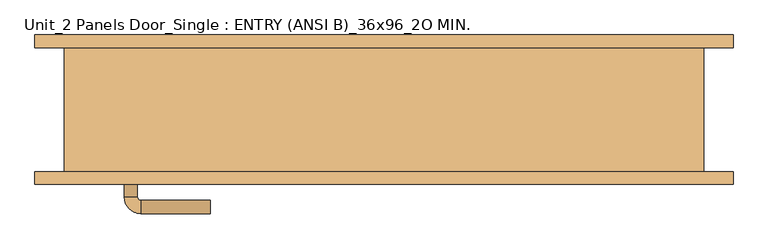
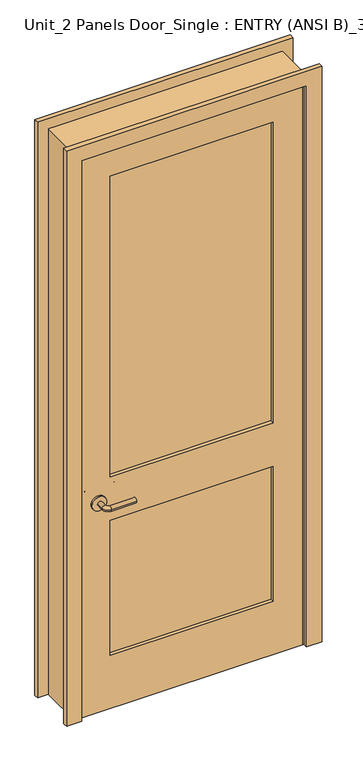
"""IFC4 building model written with IfcOpenShell, lengths in millimetres: door geometry, Unit_2 Panels Door_Single : ENTRY (ANSI B)_36x96_2O MIN.."""

from ifc_helpers import new_model, si_unit, point, frame, frame_2d, origin, place, context, project, spatial, polyline, circle_curve, ellipse_curve, trimmed, segment, composite_curve, outline, extrude, faceted_brep, source, transform, mapped, element, save
from ifc_brep_helpers import plane_surface, cylinder_surface, revolved_surface, advanced_brep


def unit_2_panels_door_single_entry_ansi_b_36x96_2o_min_5546523e(model_context):
    return source(origin(), model_context, "Body", "SolidModel", [
        advanced_brep(
        [(-392.190625, -38.0375, 914.4), (-372.190625, -38.0375, 914.4), (-392.190625, -8.0375, 914.4), (-372.190625, -8.0375, 914.4), (-367.190625, -3.0375, 914.4), (-367.190625, 16.9625, 914.4), (-262.190625, 16.9625, 914.4), (-262.190625, -3.0375, 914.4)],
        [
            (0, 1, circle_curve(frame((-382.190625, -38.0375, 914.4), z_axis=(0.0, -1.0, 0.0), x_axis=(1.0, 0.0, 0.0)), 10.0)),
            (1, 0, circle_curve(frame((-382.190625, -38.0375, 914.4), z_axis=(0.0, -1.0, 0.0), x_axis=(1.0, 0.0, 0.0)), 10.0)),
            (0, 2),
            (2, 3, circle_curve(frame((-382.190625, -8.0375, 914.4), z_axis=(0.0, -1.0, 0.0), x_axis=(1.0, 0.0, 0.0)), 10.0)),
            (3, 1),
            (3, 2, circle_curve(frame((-382.190625, -8.0375, 914.4), z_axis=(0.0, -1.0, 0.0), x_axis=(1.0, 0.0, 0.0)), 10.0)),
            (4, 3, circle_curve(frame((-367.190625, -8.0375, 914.4), z_axis=(0.0, 0.0, 1.0), x_axis=(-1.0, 0.0, 0.0)), 5.0)),
            (2, 5, circle_curve(frame((-367.190625, -8.0375, 914.4), z_axis=(0.0, 0.0, -1.0), x_axis=(-1.0, 0.0, 0.0)), 25.0)),
            (5, 4, circle_curve(frame((-367.190625, 6.9625, 914.4), z_axis=(-1.0, 0.0, 0.0), x_axis=(0.0, -1.0, 0.0)), 10.0)),
            (4, 5, circle_curve(frame((-367.190625, 6.9625, 914.4), z_axis=(-1.0, 0.0, 0.0), x_axis=(0.0, -1.0, 0.0)), 10.0)),
            (6, 7, circle_curve(frame((-262.190625, 6.9625, 914.4), z_axis=(1.0, 0.0, 0.0), x_axis=(0.0, -1.0, 0.0)), 10.0)),
            (7, 6, circle_curve(frame((-262.190625, 6.9625, 914.4), z_axis=(1.0, 0.0, 0.0), x_axis=(0.0, -1.0, 0.0)), 10.0)),
            (5, 6),
            (7, 4),
        ],
        [
            plane_surface(frame((-382.190625, -38.0375, 914.4), z_axis=(0.0, -1.0, 0.0), x_axis=(0.0, 0.0, 1.0))),
            cylinder_surface(frame((-382.190625, -38.0375, 914.4), z_axis=(0.0, -1.0, 0.0), x_axis=(1.0, 0.0, 0.0)), 10.0),
            revolved_surface(trimmed(ellipse_curve(frame((-382.190625, -8.0375, 914.4), z_axis=(0.0, -1.0, 0.0), x_axis=(1.0, 0.0, 0.0)), 10.0, 10.0), [point((-392.190625, -8.0375, 914.4))], [point((-372.190625, -8.0375, 914.4))], True, "CARTESIAN"), (-367.190625, -8.0375, 914.4), (0.0, 0.0, -1.0)),
            revolved_surface(trimmed(ellipse_curve(frame((-382.190625, -8.0375, 914.4), z_axis=(0.0, -1.0, 0.0), x_axis=(1.0, 0.0, 0.0)), 10.0, 10.0), [point((-372.190625, -8.0375, 914.4))], [point((-392.190625, -8.0375, 914.4))], True, "CARTESIAN"), (-367.190625, -8.0375, 914.4), (0.0, 0.0, -1.0)),
            plane_surface(frame((-262.190625, 6.9625, 914.4), z_axis=(1.0, 0.0, 0.0), x_axis=(0.0, 0.0, 1.0))),
            cylinder_surface(frame((-367.190625, 6.9625, 914.4), z_axis=(-1.0, 0.0, 0.0), x_axis=(0.0, -1.0, 0.0)), 10.0),
        ],
        [
            (0, [[1, 2]]),
            (1, [[-1, 3, 4, 5]]),
            (1, [[-2, -5, 6, -3]]),
            (2, [[7, -4, 8, 9]]),
            (3, [[-8, -6, -7, 10]]),
            (4, [[11, 12]]),
            (5, [[-9, 13, -12, 14]]),
            (5, [[-10, -14, -11, -13]]),
        ],
    ),
        extrude(outline(composite_curve([segment(trimmed(circle_curve(frame_2d((914.4, -384.690625)), 30.0), [point((914.4, -414.690625))], [point((914.4, -354.690625))], False, "CARTESIAN"), True, "CONTINUOUS"), segment(trimmed(circle_curve(frame_2d((914.4, -384.690625)), 30.0), [point((914.4, -354.690625))], [point((914.4, -414.690625))], False, "CARTESIAN"), True, "CONTINUOUS")], self_intersect=False)), frame((0.0, -46.0375, 0.0), z_axis=(0.0, 1.0, 0.0), x_axis=(0.0, 0.0, 1.0)), (0.0, 0.0, 1.0), 8.0),
        advanced_brep(
        [(-392.190625, -98.4875, 914.4), (-372.190625, -98.4875, 914.4), (-372.190625, -128.4875, 914.4), (-392.190625, -128.4875, 914.4), (-367.190625, -133.4875, 914.4), (-367.190625, -153.4875, 914.4), (-262.190625, -153.4875, 914.4), (-262.190625, -133.4875, 914.4)],
        [
            (0, 1, circle_curve(frame((-382.190625, -98.4875, 914.4), z_axis=(0.0, 1.0, 0.0), x_axis=(1.0, 0.0, 0.0)), 10.0)),
            (1, 0, circle_curve(frame((-382.190625, -98.4875, 914.4), z_axis=(0.0, 1.0, 0.0), x_axis=(1.0, 0.0, 0.0)), 10.0)),
            (1, 2),
            (2, 3, circle_curve(frame((-382.190625, -128.4875, 914.4), z_axis=(0.0, 1.0, 0.0), x_axis=(1.0, 0.0, 0.0)), 10.0)),
            (3, 0),
            (3, 2, circle_curve(frame((-382.190625, -128.4875, 914.4), z_axis=(0.0, 1.0, 0.0), x_axis=(1.0, 0.0, 0.0)), 10.0)),
            (4, 5, circle_curve(frame((-367.190625, -143.4875, 914.4), z_axis=(-1.0, 0.0, 0.0), x_axis=(0.0, 1.0, 0.0)), 10.0)),
            (5, 3, circle_curve(frame((-367.190625, -128.4875, 914.4), z_axis=(0.0, 0.0, -1.0), x_axis=(-1.0, 0.0, 0.0)), 25.0)),
            (2, 4, circle_curve(frame((-367.190625, -128.4875, 914.4), z_axis=(0.0, 0.0, 1.0), x_axis=(-1.0, 0.0, 0.0)), 5.0)),
            (5, 4, circle_curve(frame((-367.190625, -143.4875, 914.4), z_axis=(-1.0, 0.0, 0.0), x_axis=(0.0, 1.0, 0.0)), 10.0)),
            (6, 7, circle_curve(frame((-262.190625, -143.4875, 914.4), z_axis=(1.0, 0.0, 0.0), x_axis=(0.0, 1.0, 0.0)), 10.0)),
            (7, 6, circle_curve(frame((-262.190625, -143.4875, 914.4), z_axis=(1.0, 0.0, 0.0), x_axis=(0.0, 1.0, 0.0)), 10.0)),
            (4, 7),
            (6, 5),
        ],
        [
            plane_surface(frame((-382.190625, -98.4875, 914.4), z_axis=(0.0, 1.0, 0.0), x_axis=(0.0, 0.0, 1.0))),
            cylinder_surface(frame((-382.190625, -98.4875, 914.4), z_axis=(0.0, 1.0, 0.0), x_axis=(1.0, 0.0, 0.0)), 10.0),
            revolved_surface(trimmed(ellipse_curve(frame((-382.190625, -128.4875, 914.4), z_axis=(0.0, -1.0, 0.0), x_axis=(1.0, 0.0, 0.0)), 10.0, 10.0), [point((-392.190625, -128.4875, 914.4))], [point((-372.190625, -128.4875, 914.4))], True, "CARTESIAN"), (-367.190625, -128.4875, 914.4), (0.0, 0.0, -1.0)),
            revolved_surface(trimmed(ellipse_curve(frame((-382.190625, -128.4875, 914.4), z_axis=(0.0, -1.0, 0.0), x_axis=(1.0, 0.0, 0.0)), 10.0, 10.0), [point((-372.190625, -128.4875, 914.4))], [point((-392.190625, -128.4875, 914.4))], True, "CARTESIAN"), (-367.190625, -128.4875, 914.4), (0.0, 0.0, -1.0)),
            plane_surface(frame((-262.190625, -143.4875, 914.4), z_axis=(1.0, 0.0, 0.0), x_axis=(0.0, 0.0, 1.0))),
            cylinder_surface(frame((-367.190625, -143.4875, 914.4), z_axis=(-1.0, 0.0, 0.0), x_axis=(0.0, 1.0, 0.0)), 10.0),
        ],
        [
            (0, [[1, 2]]),
            (1, [[3, 4, 5, -2]]),
            (1, [[-5, 6, -3, -1]]),
            (2, [[7, 8, -4, 9]]),
            (3, [[10, -9, -6, -8]]),
            (4, [[11, 12]]),
            (5, [[13, -11, 14, -7]]),
            (5, [[-14, -12, -13, -10]]),
        ],
    ),
        extrude(outline(composite_curve([segment(trimmed(circle_curve(frame_2d((914.4, -384.690625)), 30.0), [point((914.4, -414.690625))], [point((914.4, -354.690625))], False, "CARTESIAN"), True, "CONTINUOUS"), segment(trimmed(circle_curve(frame_2d((914.4, -384.690625)), 30.0), [point((914.4, -354.690625))], [point((914.4, -414.690625))], False, "CARTESIAN"), True, "CONTINUOUS")], self_intersect=False)), frame((0.0, -98.4875, 0.0), z_axis=(0.0, 1.0, 0.0), x_axis=(0.0, 0.0, 1.0)), (0.0, 0.0, 1.0), 8.0),
        extrude(outline(polyline([(336.55, -60.8541667), (336.55, -75.6708333), (-336.55, -75.6708333), (-336.55, -60.8541667), (336.55, -60.8541667)])), frame((0.0, 0.0, 1009.65), z_axis=(0.0, 0.0, 1.0), x_axis=(1.0, 0.0, 0.0)), (0.0, 0.0, 1.0), 1309.6875),
        extrude(outline(polyline([(336.55, -60.8541667), (336.55, -75.6708333), (-336.55, -75.6708333), (-336.55, -60.8541667), (336.55, -60.8541667)])), frame((0.0, 0.0, 231.775), z_axis=(0.0, 0.0, 1.0), x_axis=(1.0, 0.0, 0.0)), (0.0, 0.0, 1.0), 587.375),
        extrude(outline(polyline([(2438.4, -457.2), (0.0, -457.2), (0.0, 457.2), (2438.4, 457.2), (2438.4, -457.2)]), holes=[polyline([(2319.3375, -336.55), (2319.3375, 336.55), (1009.65, 336.55), (1009.65, -336.55), (2319.3375, -336.55)]), polyline([(819.15, -336.55), (819.15, 336.55), (231.775, 336.55), (231.775, -336.55), (819.15, -336.55)])]), frame((0.0, -90.4875, 0.0), z_axis=(0.0, 1.0, 0.0), x_axis=(0.0, 0.0, 1.0)), (0.0, 0.0, 1.0), 44.45),
        faceted_brep([(482.6, -90.4875, 0.0), (457.2, -90.4875, 0.0), (457.2, -46.0375, 0.0), (444.5, -46.0375, 0.0), (444.5, -11.1125, 0.0), (457.2, -11.1125, 0.0), (457.2, 96.8375, 0.0), (482.6, 96.8375, 0.0), (482.6, 96.8375, 2463.8), (482.6, -90.4875, 2463.8), (457.2, 96.8375, 2438.4), (-457.2, 96.8375, 2438.4), (-457.2, 96.8375, 0.0), (-482.6, 96.8375, 0.0), (-482.6, 96.8375, 2463.8), (457.2, -11.1125, 2438.4), (444.5, -11.1125, 2425.7), (-444.5, -11.1125, 2425.7), (-444.5, -11.1125, 0.0), (-457.2, -11.1125, 0.0), (-457.2, -11.1125, 2438.4), (444.5, -46.0375, 2425.7), (457.2, -46.0375, 2438.4), (-457.2, -46.0375, 2438.4), (-457.2, -46.0375, 0.0), (-444.5, -46.0375, 0.0), (-444.5, -46.0375, 2425.7), (457.2, -90.4875, 2438.4), (-482.6, -90.4875, 2463.8), (-482.6, -90.4875, 0.0), (-457.2, -90.4875, 0.0), (-457.2, -90.4875, 2438.4)], [[[0, 1, 2, 3, 4, 5, 6, 7]], [[7, 8, 9, 0]], [[6, 10, 11, 12, 13, 14, 8, 7]], [[5, 15, 10, 6]], [[4, 16, 17, 18, 19, 20, 15, 5]], [[3, 21, 16, 4]], [[2, 22, 23, 24, 25, 26, 21, 3]], [[1, 27, 22, 2]], [[0, 9, 28, 29, 30, 31, 27, 1]], [[8, 14, 28, 9]], [[15, 20, 11, 10]], [[21, 26, 17, 16]], [[27, 31, 23, 22]], [[29, 13, 12, 19, 18, 25, 24, 30]], [[14, 13, 29, 28]], [[20, 19, 12, 11]], [[26, 25, 18, 17]], [[31, 30, 24, 23]]]),
        extrude(outline(polyline([(0.0, 527.05), (2508.25, 527.05), (2508.25, -527.05), (0.0, -527.05), (0.0, -463.55), (2444.75, -463.55), (2444.75, 463.55), (0.0, 463.55), (0.0, 527.05)])), frame((0.0, 96.8375, 0.0), z_axis=(0.0, 1.0, 0.0), x_axis=(0.0, 0.0, 1.0)), (0.0, 0.0, 1.0), 19.05),
        extrude(outline(polyline([(0.0, 527.05), (2508.25, 527.05), (2508.25, -527.05), (0.0, -527.05), (0.0, -463.55), (2444.75, -463.55), (2444.75, 463.55), (0.0, 463.55), (0.0, 527.05)])), frame((0.0, -109.5375, 0.0), z_axis=(0.0, 1.0, 0.0), x_axis=(0.0, 0.0, 1.0)), (0.0, 0.0, 1.0), 19.05),
    ])


if __name__ == "__main__":
    model = new_model("IFC4")
    model_context = context("Model", 3, world=origin())
    ifc_project = project(units=[si_unit("LENGTHUNIT", "METRE", prefix="MILLI")], contexts=[model_context])
    site = spatial("IfcSite", under=ifc_project)
    building = spatial("IfcBuilding", under=site)
    placement = place(None, origin())
    unit_2_panels_door_single_entry_ansi_b_36x96_2o_min_shape = unit_2_panels_door_single_entry_ansi_b_36x96_2o_min_5546523e(model_context)
    element("IfcDoor", 1, ObjectType="Unit_2 Panels Door_Single : ENTRY (ANSI B)_36x96_2O MIN.", at=placement, inside=building, context=model_context, shape_type="MappedRepresentation", body=[
        mapped(unit_2_panels_door_single_entry_ansi_b_36x96_2o_min_shape, transform((0.0, 0.0, 0.0), x_axis=(1.0, 0.0, 0.0), y_axis=(0.0, 1.0, 0.0), z_axis=(0.0, 0.0, 1.0))),
    ])
    save(model, "model.ifc")
